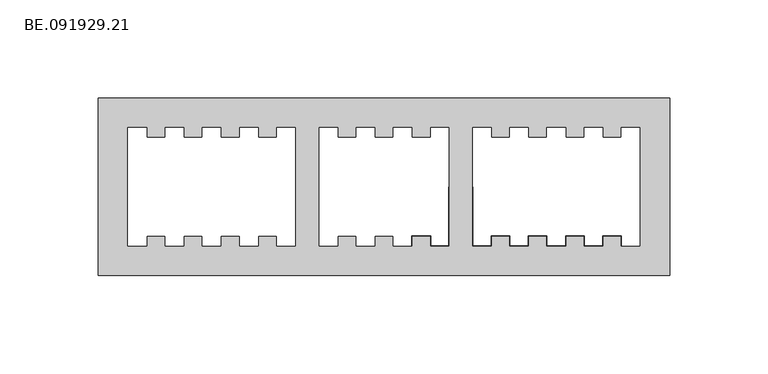
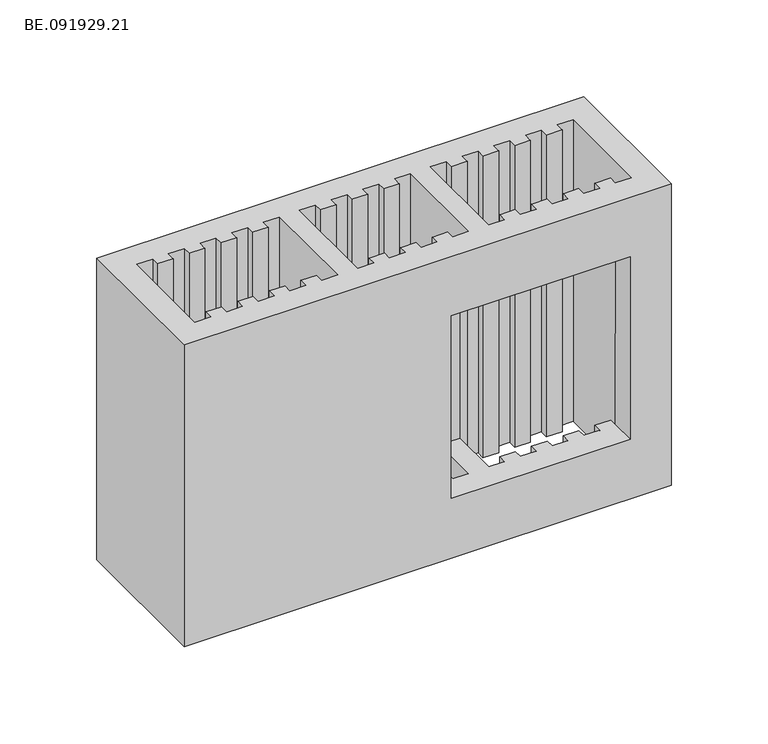
"""IFC4 building model written with IfcOpenShell, lengths in millimetres: proxy geometry, BE.091929.21."""

from ifc_helpers import new_model, si_unit, origin, place, context, project, spatial, faceted_brep, source, transform, mapped, element, save


def be_091929_21_2b407847(model_context):
    return source(origin(), model_context, "Body", "Brep", [
        faceted_brep([(295.0, 45.0, 190.0), (5.0, 45.0, 190.0), (5.0, -45.0, 190.0), (295.0, -45.0, 190.0), (104.9938965, -30.0055664, 190.0), (95.5433105, -30.0055664, 190.0), (95.5433105, -25.0012207, 190.0), (86.1113281, -25.0012207, 190.0), (86.1113281, -30.0055664, 190.0), (76.6607422, -30.0055664, 190.0), (76.6607422, -25.0012207, 190.0), (67.2101563, -25.0012207, 190.0), (67.2101563, -30.0055664, 190.0), (57.7781738, -30.0055664, 190.0), (57.7781738, -25.0012207, 190.0), (48.3275879, -25.0012207, 190.0), (48.3275879, -30.0055664, 190.0), (38.877002, -30.0055664, 190.0), (38.877002, -25.0012207, 190.0), (29.4450195, -25.0012207, 190.0), (29.4450195, -30.0055664, 190.0), (19.9944336, -30.0055664, 190.0), (19.9944336, 30.009375, 190.0), (29.4450195, 30.009375, 190.0), (29.4450195, 25.0050293, 190.0), (38.877002, 25.0050293, 190.0), (38.877002, 30.009375, 190.0), (48.3275879, 30.009375, 190.0), (48.3275879, 25.0050293, 190.0), (57.7781738, 25.0050293, 190.0), (57.7781738, 30.009375, 190.0), (67.2101563, 30.009375, 190.0), (67.2101563, 25.0050293, 190.0), (76.6607422, 25.0050293, 190.0), (76.6607422, 30.009375, 190.0), (86.1113281, 30.009375, 190.0), (86.1113281, 25.0050293, 190.0), (95.5433105, 25.0050293, 190.0), (95.5433105, 30.009375, 190.0), (104.9938965, 30.009375, 190.0), (116.9931641, 30.009375, 190.0), (126.44375, 30.009375, 190.0), (126.44375, 25.0050293, 190.0), (135.8757324, 25.0050293, 190.0), (135.8757324, 30.009375, 190.0), (145.3263184, 30.009375, 190.0), (145.3263184, 25.0050293, 190.0), (154.7769043, 25.0050293, 190.0), (154.7769043, 30.009375, 190.0), (164.2088867, 30.009375, 190.0), (164.2088867, 25.0050293, 190.0), (173.6594727, 25.0050293, 190.0), (173.6594727, 30.009375, 190.0), (182.9984375, 30.009375, 190.0), (182.9984375, -30.0055664, 190.0), (173.6594727, -30.0055664, 190.0), (173.6594727, -25.0012207, 190.0), (164.2088867, -25.0012207, 190.0), (164.2088867, -30.0055664, 190.0), (154.7769043, -30.0055664, 190.0), (154.7769043, -25.0012207, 190.0), (145.3263184, -25.0012207, 190.0), (145.3263184, -30.0055664, 190.0), (135.8757324, -30.0055664, 190.0), (135.8757324, -25.0012207, 190.0), (126.44375, -25.0012207, 190.0), (126.44375, -30.0055664, 190.0), (116.9931641, -30.0055664, 190.0), (194.9977051, 30.009375, 190.0), (204.4296875, 30.009375, 190.0), (204.4296875, 25.0050293, 190.0), (213.8802734, 25.0050293, 190.0), (213.8802734, 30.009375, 190.0), (223.3308594, 30.009375, 190.0), (223.3308594, 25.0050293, 190.0), (232.7628418, 25.0050293, 190.0), (232.7628418, 30.009375, 190.0), (242.2134277, 30.009375, 190.0), (242.2134277, 25.0050293, 190.0), (251.6640137, 25.0050293, 190.0), (251.6640137, 30.009375, 190.0), (261.0959961, 30.009375, 190.0), (261.0959961, 25.0050293, 190.0), (270.546582, 25.0050293, 190.0), (270.546582, 30.009375, 190.0), (279.997168, 30.009375, 190.0), (279.997168, -30.0055664, 190.0), (270.546582, -30.0055664, 190.0), (270.546582, -25.0012207, 190.0), (261.0959961, -25.0012207, 190.0), (261.0959961, -30.0055664, 190.0), (251.6640137, -30.0055664, 190.0), (251.6640137, -25.0012207, 190.0), (242.2134277, -25.0012207, 190.0), (242.2134277, -30.0055664, 190.0), (232.7628418, -30.0055664, 190.0), (232.7628418, -25.0012207, 190.0), (223.3308594, -25.0012207, 190.0), (223.3308594, -30.0055664, 190.0), (213.8802734, -30.0055664, 190.0), (213.8802734, -25.0012207, 190.0), (204.4296875, -25.0012207, 190.0), (204.4296875, -30.0055664, 190.0), (194.9977051, -30.0055664, 190.0), (295.0, 45.0, 0.0), (295.0, -45.0, 0.0), (5.0, -45.0, 0.0), (5.0, 45.0, 0.0), (104.9938965, -30.0055664, 0.0), (104.9938965, 30.009375, 0.0), (95.5433105, 30.009375, 0.0), (95.5433105, 25.0050293, 0.0), (86.1113281, 25.0050293, 0.0), (86.1113281, 30.009375, 0.0), (76.6607422, 30.009375, 0.0), (76.6607422, 25.0050293, 0.0), (67.2101563, 25.0050293, 0.0), (67.2101563, 30.009375, 0.0), (57.7781738, 30.009375, 0.0), (57.7781738, 25.0050293, 0.0), (48.3275879, 25.0050293, 0.0), (48.3275879, 30.009375, 0.0), (38.877002, 30.009375, 0.0), (38.877002, 25.0050293, 0.0), (29.4450195, 25.0050293, 0.0), (29.4450195, 30.009375, 0.0), (19.9944336, 30.009375, 0.0), (19.9944336, -30.0055664, 0.0), (29.4450195, -30.0055664, 0.0), (29.4450195, -25.0012207, 0.0), (38.877002, -25.0012207, 0.0), (38.877002, -30.0055664, 0.0), (48.3275879, -30.0055664, 0.0), (48.3275879, -25.0012207, 0.0), (57.7781738, -25.0012207, 0.0), (57.7781738, -30.0055664, 0.0), (67.2101563, -30.0055664, 0.0), (67.2101563, -25.0012207, 0.0), (76.6607422, -25.0012207, 0.0), (76.6607422, -30.0055664, 0.0), (86.1113281, -30.0055664, 0.0), (86.1113281, -25.0012207, 0.0), (95.5433105, -25.0012207, 0.0), (95.5433105, -30.0055664, 0.0), (116.9931641, 30.009375, 0.0), (116.9931641, -30.0055664, 0.0), (126.44375, -30.0055664, 0.0), (126.44375, -25.0012207, 0.0), (135.8757324, -25.0012207, 0.0), (135.8757324, -30.0055664, 0.0), (145.3263184, -30.0055664, 0.0), (145.3263184, -25.0012207, 0.0), (154.7769043, -25.0012207, 0.0), (154.7769043, -30.0055664, 0.0), (164.2088867, -30.0055664, 0.0), (164.2088867, -25.0012207, 0.0), (173.6594727, -25.0012207, 0.0), (173.6594727, -30.0055664, 0.0), (182.9984375, -30.0055664, 0.0), (182.9984375, 30.009375, 0.0), (173.6594727, 30.009375, 0.0), (173.6594727, 25.0050293, 0.0), (164.2088867, 25.0050293, 0.0), (164.2088867, 30.009375, 0.0), (154.7769043, 30.009375, 0.0), (154.7769043, 25.0050293, 0.0), (145.3263184, 25.0050293, 0.0), (145.3263184, 30.009375, 0.0), (135.8757324, 30.009375, 0.0), (135.8757324, 25.0050293, 0.0), (126.44375, 25.0050293, 0.0), (126.44375, 30.009375, 0.0), (194.9977051, 30.009375, 0.0), (194.9977051, -30.0055664, 0.0), (204.4296875, -30.0055664, 0.0), (204.4296875, -25.0012207, 0.0), (213.8802734, -25.0012207, 0.0), (213.8802734, -30.0055664, 0.0), (223.3308594, -30.0055664, 0.0), (223.3308594, -25.0012207, 0.0), (232.7628418, -25.0012207, 0.0), (232.7628418, -30.0055664, 0.0), (242.2134277, -30.0055664, 0.0), (242.2134277, -25.0012207, 0.0), (251.6640137, -25.0012207, 0.0), (251.6640137, -30.0055664, 0.0), (261.0959961, -30.0055664, 0.0), (261.0959961, -25.0012207, 0.0), (270.546582, -25.0012207, 0.0), (270.546582, -30.0055664, 0.0), (279.997168, -30.0055664, 0.0), (279.997168, 30.009375, 0.0), (270.546582, 30.009375, 0.0), (270.546582, 25.0050293, 0.0), (261.0959961, 25.0050293, 0.0), (261.0959961, 30.009375, 0.0), (251.6640137, 30.009375, 0.0), (251.6640137, 25.0050293, 0.0), (242.2134277, 25.0050293, 0.0), (242.2134277, 30.009375, 0.0), (232.7628418, 30.009375, 0.0), (232.7628418, 25.0050293, 0.0), (223.3308594, 25.0050293, 0.0), (223.3308594, 30.009375, 0.0), (213.8802734, 30.009375, 0.0), (213.8802734, 25.0050293, 0.0), (204.4296875, 25.0050293, 0.0), (204.4296875, 30.009375, 0.0), (164.2088867, -45.0, 37.5046875), (164.2088867, -45.0, 152.4930176), (270.5651855, -45.0, 152.4930176), (270.5651855, -45.0, 37.5046875), (182.9984375, -30.0055664, 37.5046875), (182.9984375, 0.0, 37.5046875), (182.9984375, 0.0, 152.4930176), (182.9984375, -30.0055664, 152.4930176), (173.6594727, -30.0055664, 152.4930176), (173.6594727, -30.0055664, 37.5046875), (173.6594727, -25.0012207, 152.4930176), (173.6594727, -25.0012207, 37.5046875), (164.2088867, -25.0012207, 152.4930176), (164.2088867, -25.0012207, 37.5046875), (164.2088867, -30.0055664, 152.4930176), (164.2088867, -30.0055664, 37.5046875), (270.546582, -30.0055664, 37.5046875), (270.5651855, -30.0055664, 152.4930176), (270.546582, -25.0012207, 152.4930176), (270.546582, -25.0012207, 37.5046875), (261.0959961, -25.0012207, 152.4930176), (261.0959961, -25.0012207, 37.5046875), (261.0959961, -30.0055664, 152.4930176), (261.0959961, -30.0055664, 37.5046875), (251.6640137, -30.0055664, 152.4930176), (251.6640137, -30.0055664, 37.5046875), (251.6640137, -25.0012207, 152.4930176), (251.6640137, -25.0012207, 37.5046875), (242.2134277, -25.0012207, 152.4930176), (242.2134277, -25.0012207, 37.5046875), (242.2134277, -30.0055664, 152.4930176), (242.2134277, -30.0055664, 37.5046875), (232.7628418, -30.0055664, 152.4930176), (232.7628418, -30.0055664, 37.5046875), (232.7628418, -25.0012207, 152.4930176), (232.7628418, -25.0012207, 37.5046875), (223.3308594, -25.0012207, 152.4930176), (223.3308594, -25.0012207, 37.5046875), (223.3308594, -30.0055664, 152.4930176), (223.3308594, -30.0055664, 37.5046875), (213.8802734, -30.0055664, 152.4930176), (213.8802734, -30.0055664, 37.5046875), (213.8802734, -25.0012207, 152.4930176), (213.8802734, -25.0012207, 37.5046875), (204.4296875, -25.0012207, 152.4930176), (204.4296875, -25.0012207, 37.5046875), (204.4296875, -30.0055664, 152.4930176), (204.4296875, -30.0055664, 37.5046875), (194.9977051, -30.0055664, 152.4930176), (194.9977051, -30.0055664, 37.5046875), (194.9977051, 0.0, 152.4930176), (194.9977051, 0.0, 37.5046875)], [[[0, 1, 2, 3], [4, 5, 6, 7, 8, 9, 10, 11, 12, 13, 14, 15, 16, 17, 18, 19, 20, 21, 22, 23, 24, 25, 26, 27, 28, 29, 30, 31, 32, 33, 34, 35, 36, 37, 38, 39], [40, 41, 42, 43, 44, 45, 46, 47, 48, 49, 50, 51, 52, 53, 54, 55, 56, 57, 58, 59, 60, 61, 62, 63, 64, 65, 66, 67], [68, 69, 70, 71, 72, 73, 74, 75, 76, 77, 78, 79, 80, 81, 82, 83, 84, 85, 86, 87, 88, 89, 90, 91, 92, 93, 94, 95, 96, 97, 98, 99, 100, 101, 102, 103]], [[104, 105, 106, 107], [108, 109, 110, 111, 112, 113, 114, 115, 116, 117, 118, 119, 120, 121, 122, 123, 124, 125, 126, 127, 128, 129, 130, 131, 132, 133, 134, 135, 136, 137, 138, 139, 140, 141, 142, 143], [144, 145, 146, 147, 148, 149, 150, 151, 152, 153, 154, 155, 156, 157, 158, 159, 160, 161, 162, 163, 164, 165, 166, 167, 168, 169, 170, 171], [172, 173, 174, 175, 176, 177, 178, 179, 180, 181, 182, 183, 184, 185, 186, 187, 188, 189, 190, 191, 192, 193, 194, 195, 196, 197, 198, 199, 200, 201, 202, 203, 204, 205, 206, 207]], [[1, 0, 104, 107]], [[2, 1, 107, 106]], [[3, 2, 106, 105], [208, 209, 210, 211]], [[0, 3, 105, 104]], [[5, 4, 108, 143]], [[6, 5, 143, 142]], [[7, 6, 142, 141]], [[8, 7, 141, 140]], [[9, 8, 140, 139]], [[10, 9, 139, 138]], [[11, 10, 138, 137]], [[12, 11, 137, 136]], [[13, 12, 136, 135]], [[14, 13, 135, 134]], [[15, 14, 134, 133]], [[16, 15, 133, 132]], [[17, 16, 132, 131]], [[18, 17, 131, 130]], [[19, 18, 130, 129]], [[20, 19, 129, 128]], [[21, 20, 128, 127]], [[22, 21, 127, 126]], [[23, 22, 126, 125]], [[24, 23, 125, 124]], [[25, 24, 124, 123]], [[26, 25, 123, 122]], [[27, 26, 122, 121]], [[28, 27, 121, 120]], [[29, 28, 120, 119]], [[30, 29, 119, 118]], [[31, 30, 118, 117]], [[32, 31, 117, 116]], [[33, 32, 116, 115]], [[34, 33, 115, 114]], [[35, 34, 114, 113]], [[36, 35, 113, 112]], [[37, 36, 112, 111]], [[38, 37, 111, 110]], [[39, 38, 110, 109]], [[4, 39, 109, 108]], [[41, 40, 144, 171]], [[42, 41, 171, 170]], [[43, 42, 170, 169]], [[44, 43, 169, 168]], [[45, 44, 168, 167]], [[46, 45, 167, 166]], [[47, 46, 166, 165]], [[48, 47, 165, 164]], [[49, 48, 164, 163]], [[50, 49, 163, 162]], [[51, 50, 162, 161]], [[52, 51, 161, 160]], [[53, 52, 160, 159]], [[54, 53, 159, 158, 212, 213, 214, 215]], [[55, 54, 215, 216]], [[158, 157, 217, 212]], [[56, 55, 216, 218]], [[157, 156, 219, 217]], [[57, 56, 218, 220]], [[156, 155, 221, 219]], [[58, 57, 220, 222]], [[155, 154, 223, 221]], [[59, 58, 222, 223, 154, 153]], [[60, 59, 153, 152]], [[61, 60, 152, 151]], [[62, 61, 151, 150]], [[63, 62, 150, 149]], [[64, 63, 149, 148]], [[65, 64, 148, 147]], [[66, 65, 147, 146]], [[67, 66, 146, 145]], [[40, 67, 145, 144]], [[69, 68, 172, 207]], [[70, 69, 207, 206]], [[71, 70, 206, 205]], [[72, 71, 205, 204]], [[73, 72, 204, 203]], [[74, 73, 203, 202]], [[75, 74, 202, 201]], [[76, 75, 201, 200]], [[77, 76, 200, 199]], [[78, 77, 199, 198]], [[79, 78, 198, 197]], [[80, 79, 197, 196]], [[81, 80, 196, 195]], [[82, 81, 195, 194]], [[83, 82, 194, 193]], [[84, 83, 193, 192]], [[85, 84, 192, 191]], [[86, 85, 191, 190]], [[87, 86, 190, 189, 224, 225]], [[88, 87, 225, 226]], [[189, 188, 227, 224]], [[89, 88, 226, 228]], [[188, 187, 229, 227]], [[90, 89, 228, 230]], [[187, 186, 231, 229]], [[91, 90, 230, 232]], [[186, 185, 233, 231]], [[92, 91, 232, 234]], [[185, 184, 235, 233]], [[93, 92, 234, 236]], [[184, 183, 237, 235]], [[94, 93, 236, 238]], [[183, 182, 239, 237]], [[95, 94, 238, 240]], [[182, 181, 241, 239]], [[96, 95, 240, 242]], [[181, 180, 243, 241]], [[97, 96, 242, 244]], [[180, 179, 245, 243]], [[98, 97, 244, 246]], [[179, 178, 247, 245]], [[99, 98, 246, 248]], [[178, 177, 249, 247]], [[100, 99, 248, 250]], [[177, 176, 251, 249]], [[101, 100, 250, 252]], [[176, 175, 253, 251]], [[102, 101, 252, 254]], [[175, 174, 255, 253]], [[103, 102, 254, 256]], [[174, 173, 257, 255]], [[68, 103, 256, 258, 259, 257, 173, 172]], [[213, 259, 258, 214]], [[208, 223, 222, 209]], [[223, 208, 211, 224, 227, 229, 231, 233, 235, 237, 239, 241, 243, 245, 247, 249, 251, 253, 255, 257, 259, 213, 212, 217, 219, 221]], [[224, 211, 210, 225]], [[209, 222, 220, 218, 216, 215, 214, 258, 256, 254, 252, 250, 248, 246, 244, 242, 240, 238, 236, 234, 232, 230, 228, 226, 225, 210]]]),
    ])


if __name__ == "__main__":
    model = new_model("IFC4")
    model_context = context("Model", 3, world=origin())
    ifc_project = project(units=[si_unit("LENGTHUNIT", "METRE", prefix="MILLI")], contexts=[model_context])
    site = spatial("IfcSite", under=ifc_project)
    building = spatial("IfcBuilding", under=site)
    placement = place(None, origin())
    be_091929_21_shape = be_091929_21_2b407847(model_context)
    element("IfcBuildingElementProxy", 1, Name="BE.091929.21", ObjectType="BE.091929.21", at=placement, inside=building, context=model_context, shape_type="MappedRepresentation", body=[
        mapped(be_091929_21_shape, transform((0.0, 0.0, 0.0), x_axis=(1.0, 0.0, 0.0), y_axis=(0.0, 1.0, 0.0), z_axis=(0.0, 0.0, 1.0))),
    ])
    save(model, "model.ifc")
